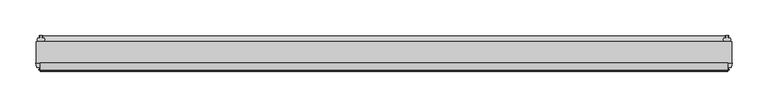
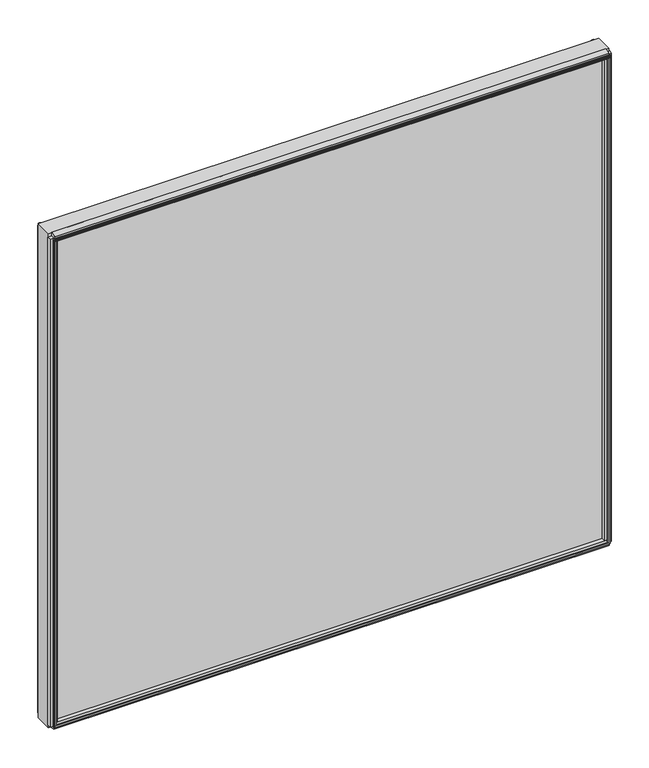
"""IFC4 building model written with IfcOpenShell, lengths in millimetres: plate geometry."""

from ifc_helpers import new_model, si_unit, point, frame, frame_2d, origin, place, context, project, spatial, polyline, circle_curve, trimmed, segment, composite_curve, outline, extrude, source, transform, mapped, element, save


def plate_e74422db(model_context):
    return source(origin(), model_context, "Body", "SweptSolid", [
        extrude(outline(polyline([(487.3, 0.0611188), (487.3, -30.0632812), (-487.3, -30.0632812), (-487.3, 0.0611188), (487.3, 0.0611188)])), frame((0.0, 0.0, -11.1125), z_axis=(0.0, 0.0, 1.0), x_axis=(1.0, 0.0, 0.0)), (0.0, 0.0, 1.0), 908.0162004),
        extrude(outline(composite_curve([segment(polyline([(8.0873088, 0.0002053), (5.6997088, 0.0001442)]), True, "CONTINUOUS"), segment(trimmed(circle_curve(frame_2d((5.6997289, -0.7872558)), 0.7874), [point((5.6997088, 0.0001442))], [point((4.9123289, -0.7872759))], True, "CARTESIAN"), True, "CONTINUOUS"), segment(polyline([(4.9123289, -0.7872759), (4.9123491, -1.5746759), (6.4871491, -1.5746356), (4.9125187, -7.3281779), (4.9125187, -8.2080719)]), True, "CONTINUOUS"), segment(trimmed(circle_curve(frame_2d((2.4868178, -8.16973)), 2.426004), [point((4.9125187, -8.2080719))], [point((0.0611188, -8.208196))], False, "CARTESIAN"), True, "CONTINUOUS"), segment(polyline([(0.0611188, -8.208196), (0.0611188, 5.8106117)]), True, "CONTINUOUS"), segment(trimmed(circle_curve(frame_2d((11.7432902, 13.4990678)), 13.9851882), [point((0.0611188, 5.8106117))], [point((8.0873088, 0.0002053))], True, "CARTESIAN"), True, "CONTINUOUS")], self_intersect=False)), frame((-481.74375, 0.0, 0.0), z_axis=(1.0, 0.0, 0.0), x_axis=(0.0, 1.0, 0.0)), (0.0, 0.0, 1.0), 963.4875),
        extrude(outline(polyline([(-39.5149036, -7.140847), (-39.2671431, -8.6868), (-40.0794863, -8.6868), (-40.4772812, -6.35), (-40.0622654, -4.0132), (-39.2489981, -4.0132), (-39.5092713, -5.5660571), (-36.7897626, -5.0931804), (-36.7897626, -0.8006079), (-30.0632812, 0.3636403), (-30.0632812, -13.1466842), (-36.798847, -11.9285134), (-36.798847, -7.6331642), (-39.5149036, -7.140847)])), frame((-481.74375, 0.0, 0.0), z_axis=(1.0, 0.0, 0.0), x_axis=(0.0, 1.0, 0.0)), (0.0, 0.0, 1.0), 963.4875),
        extrude(outline(polyline([(-30.0632813, 897.4956015), (-30.0632813, 883.1260134), (-36.7942812, 884.8951854), (-37.9052879, 889.0415186), (-40.6553872, 888.804256), (-40.0090278, 887.3733906), (-40.7941323, 887.1630224), (-41.7914929, 889.3150138), (-42.003749, 891.6773734), (-41.2186445, 891.8877415), (-41.0629754, 890.325396), (-38.5626883, 891.4949702), (-39.6736949, 895.6413034), (-30.0632813, 897.4956015)])), frame((-481.74375, 0.0, 0.0), z_axis=(1.0, 0.0, 0.0), x_axis=(0.0, 1.0, 0.0)), (0.0, 0.0, 1.0), 963.4875),
        extrude(outline(polyline([(482.4959429, -39.5092713), (484.0444246, -39.2497314), (484.0473316, -40.0625262), (481.712, -40.4772812), (479.3737614, -40.0792415), (479.3737614, -39.2664467), (480.921153, -39.5149036), (480.4288273, -36.7987999), (476.1502005, -36.7987999), (474.9569, -30.0632812), (488.4671, -30.0632812), (487.2781205, -36.7744101), (482.9714891, -36.7744101), (482.4959429, -39.5092713)])), frame((0.0, 0.0, -5.55625), z_axis=(0.0, 0.0, 1.0), x_axis=(1.0, 0.0, 0.0)), (0.0, 0.0, 1.0), 896.9037004),
        extrude(outline(polyline([(480.1660571, 7.5513088), (478.6175754, 7.2917689), (478.6146684, 8.1045637), (480.95, 8.5193188), (483.2882386, 8.121279), (483.2882386, 7.3084842), (481.740847, 7.5569411), (482.2331727, 4.8408374), (485.7241409, 4.8408374), (486.2529556, 2.5845617), (485.7198338, 0.0611188), (476.1801662, 0.0611188), (475.6470444, 2.5845617), (476.1748, 4.8363188), (479.6939662, 4.8363188), (480.1660571, 7.5513088)])), frame((0.0, 0.0, -5.55625), z_axis=(0.0, 0.0, 1.0), x_axis=(1.0, 0.0, 0.0)), (0.0, 0.0, 1.0), 896.9037004),
        extrude(outline(polyline([(-482.4959429, -39.5092713), (-482.9714891, -36.7744101), (-487.2781205, -36.7744101), (-488.4671, -30.0632812), (-474.9569, -30.0632812), (-476.1502005, -36.7987999), (-480.4288273, -36.7987999), (-480.921153, -39.5149036), (-479.3737614, -39.2664467), (-479.3737614, -40.0792415), (-481.712, -40.4772812), (-484.0473316, -40.0625262), (-484.0444246, -39.2497314), (-482.4959429, -39.5092713)])), frame((0.0, 0.0, -5.55625), z_axis=(0.0, 0.0, 1.0), x_axis=(1.0, 0.0, 0.0)), (0.0, 0.0, 1.0), 896.9037004),
        extrude(outline(polyline([(-480.1660571, 7.5513088), (-479.6939662, 4.8363188), (-476.1748, 4.8363188), (-475.6470444, 2.5845617), (-476.1801662, 0.0611188), (-485.7198338, 0.0611188), (-486.2529556, 2.5845617), (-485.7241409, 4.8408374), (-482.2331727, 4.8408374), (-481.740847, 7.5569411), (-483.2882386, 7.3084842), (-483.2882386, 8.121279), (-480.95, 8.5193188), (-478.6146684, 8.1045637), (-478.6175754, 7.2917689), (-480.1660571, 7.5513088)])), frame((0.0, 0.0, -5.55625), z_axis=(0.0, 0.0, 1.0), x_axis=(1.0, 0.0, 0.0)), (0.0, 0.0, 1.0), 896.9037004),
    ])


if __name__ == "__main__":
    model = new_model("IFC4")
    model_context = context("Model", 3, world=origin())
    ifc_project = project(units=[si_unit("LENGTHUNIT", "METRE", prefix="MILLI")], contexts=[model_context])
    site = spatial("IfcSite", under=ifc_project)
    building = spatial("IfcBuilding", under=site)
    placement = place(None, origin())
    plate_shape = plate_e74422db(model_context)
    element("IfcPlate", 1, at=placement, inside=building, context=model_context, shape_type="MappedRepresentation", body=[
        mapped(plate_shape, transform((0.0, 0.0, 0.0), x_axis=(1.0, 0.0, 0.0), y_axis=(0.0, 1.0, 0.0), z_axis=(0.0, 0.0, 1.0))),
    ])
    save(model, "model.ifc")
